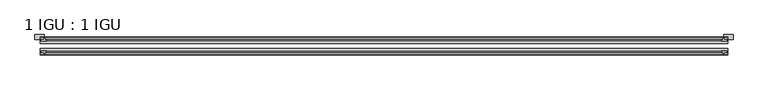
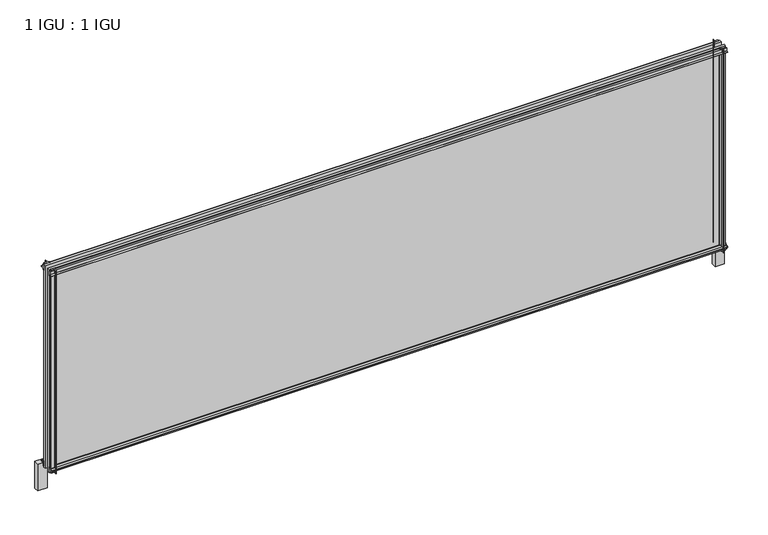
"""IFC4 building model written with IfcOpenShell, lengths in millimetres: plate geometry, 1 IGU : 1 IGU."""

from ifc_helpers import new_model, si_unit, point, frame, frame_2d, origin, place, context, project, spatial, polyline, circle_curve, trimmed, segment, composite_curve, outline, extrude, source, transform, mapped, element, save


def plate_1_igu_1_igu_2125d88e(model_context):
    return source(origin(), model_context, "Body", "SweptSolid", [
        extrude(outline(composite_curve([segment(polyline([(-42.3267187, -8.2068385), (-47.0892187, -8.2068385), (-47.0892187, 0.0), (-53.563779, 0.0)]), True, "CONTINUOUS"), segment(trimmed(circle_curve(frame_2d((-53.0328134, 0.3482823)), 0.635), [point((-53.563779, 0.0))], [point((-53.0575397, 0.9828007))], False, "CARTESIAN"), True, "CONTINUOUS"), segment(trimmed(circle_curve(frame_2d((-54.2310045, 31.0958559)), 30.1359106), [point((-53.0575397, 0.9828007))], [point((-47.0834032, 1.8198434))], True, "CARTESIAN"), True, "CONTINUOUS"), segment(trimmed(circle_curve(frame_2d((-48.2159797, 6.4587878)), 4.7752), [point((-47.0834032, 1.8198434))], [point((-43.578416, 5.3205707))], True, "CARTESIAN"), True, "CONTINUOUS"), segment(trimmed(circle_curve(frame_2d((-42.9617187, 5.169212)), 0.635), [point((-43.578416, 5.3205707))], [point((-42.3267187, 5.169212))], False, "CARTESIAN"), True, "CONTINUOUS"), segment(polyline([(-42.3267187, 5.169212), (-42.3267187, -8.2068385)]), True, "CONTINUOUS")], self_intersect=False)), frame((-900.7475, 0.0, 0.0), z_axis=(1.0, 0.0, 0.0), x_axis=(0.0, 1.0, 0.0)), (0.0, 0.0, 1.0), 1801.495),
        extrude(outline(composite_curve([segment(polyline([(-16.9267187, -8.2068385), (-16.9267187, 5.169212)]), True, "CONTINUOUS"), segment(trimmed(circle_curve(frame_2d((-16.2917187, 5.169212)), 0.635), [point((-16.9267187, 5.169212))], [point((-15.6750215, 5.3205707))], False, "CARTESIAN"), True, "CONTINUOUS"), segment(trimmed(circle_curve(frame_2d((-11.0374578, 6.4587878)), 4.7752), [point((-15.6750215, 5.3205707))], [point((-12.1700343, 1.8198434))], True, "CARTESIAN"), True, "CONTINUOUS"), segment(trimmed(circle_curve(frame_2d((-5.022433, 31.0958559)), 30.1359106), [point((-12.1700343, 1.8198434))], [point((-6.1958978, 0.9828007))], True, "CARTESIAN"), True, "CONTINUOUS"), segment(trimmed(circle_curve(frame_2d((-6.2206241, 0.3482823)), 0.635), [point((-6.1958978, 0.9828007))], [point((-5.6896585, 0.0))], False, "CARTESIAN"), True, "CONTINUOUS"), segment(polyline([(-5.6896585, 0.0), (-12.1642187, 0.0), (-12.1642187, -8.2068385), (-16.9267187, -8.2068385)]), True, "CONTINUOUS")], self_intersect=False)), frame((-900.7475, 0.0, 0.0), z_axis=(1.0, 0.0, 0.0), x_axis=(0.0, 1.0, 0.0)), (0.0, 0.0, 1.0), 1801.495),
        extrude(outline(composite_curve([segment(polyline([(-47.0892187, 549.275), (-47.0892187, 557.4818385), (-42.3267188, 557.4818385), (-42.3267188, 544.105788)]), True, "CONTINUOUS"), segment(trimmed(circle_curve(frame_2d((-42.9617187, 544.105788)), 0.635), [point((-42.3267188, 544.105788))], [point((-43.578416, 543.9544293))], False, "CARTESIAN"), True, "CONTINUOUS"), segment(trimmed(circle_curve(frame_2d((-48.2159797, 542.8162122)), 4.7752), [point((-43.578416, 543.9544293))], [point((-47.0834032, 547.4551566))], True, "CARTESIAN"), True, "CONTINUOUS"), segment(trimmed(circle_curve(frame_2d((-54.2310045, 518.1791441)), 30.1359106), [point((-47.0834032, 547.4551566))], [point((-53.0575397, 548.2921993))], True, "CARTESIAN"), True, "CONTINUOUS"), segment(trimmed(circle_curve(frame_2d((-53.0328134, 548.9267177)), 0.635), [point((-53.0575397, 548.2921993))], [point((-53.563779, 549.275))], False, "CARTESIAN"), True, "CONTINUOUS"), segment(polyline([(-53.563779, 549.275), (-47.0892187, 549.275)]), True, "CONTINUOUS")], self_intersect=False)), frame((-900.7475, 0.0, 0.0), z_axis=(1.0, 0.0, 0.0), x_axis=(0.0, 1.0, 0.0)), (0.0, 0.0, 1.0), 1801.495),
        extrude(outline(composite_curve([segment(polyline([(-12.1642187, 549.275), (-5.6896585, 549.275)]), True, "CONTINUOUS"), segment(trimmed(circle_curve(frame_2d((-6.2206241, 548.9267177)), 0.635), [point((-5.6896585, 549.275))], [point((-6.1958978, 548.2921993))], False, "CARTESIAN"), True, "CONTINUOUS"), segment(trimmed(circle_curve(frame_2d((-5.022433, 518.1791441)), 30.1359106), [point((-6.1958978, 548.2921993))], [point((-12.1700343, 547.4551566))], True, "CARTESIAN"), True, "CONTINUOUS"), segment(trimmed(circle_curve(frame_2d((-11.0374578, 542.8162122)), 4.7752), [point((-12.1700343, 547.4551566))], [point((-15.6750215, 543.9544293))], True, "CARTESIAN"), True, "CONTINUOUS"), segment(trimmed(circle_curve(frame_2d((-16.2917187, 544.105788)), 0.635), [point((-15.6750215, 543.9544293))], [point((-16.9267187, 544.105788))], False, "CARTESIAN"), True, "CONTINUOUS"), segment(polyline([(-16.9267187, 544.105788), (-16.9267187, 557.4818385), (-12.1642187, 557.4818385), (-12.1642187, 549.275)]), True, "CONTINUOUS")], self_intersect=False)), frame((-900.7475, 0.0, 0.0), z_axis=(1.0, 0.0, 0.0), x_axis=(0.0, 1.0, 0.0)), (0.0, 0.0, 1.0), 1801.495),
        extrude(outline(composite_curve([segment(polyline([(889.635, -5.6896585), (889.635, -12.1642188), (897.8418385, -12.1642188), (897.8418385, -16.9267187), (884.465788, -16.9267187)]), True, "CONTINUOUS"), segment(trimmed(circle_curve(frame_2d((884.465788, -16.2917188)), 0.635), [point((884.465788, -16.9267187))], [point((884.3144293, -15.6750215))], False, "CARTESIAN"), True, "CONTINUOUS"), segment(trimmed(circle_curve(frame_2d((883.1762122, -11.0374578)), 4.7752), [point((884.3144293, -15.6750215))], [point((887.8151566, -12.1700343))], True, "CARTESIAN"), True, "CONTINUOUS"), segment(trimmed(circle_curve(frame_2d((858.5391441, -5.022433)), 30.1359106), [point((887.8151566, -12.1700343))], [point((888.6521993, -6.1958978))], True, "CARTESIAN"), True, "CONTINUOUS"), segment(trimmed(circle_curve(frame_2d((889.2867177, -6.2206241)), 0.635), [point((888.6521993, -6.1958978))], [point((889.635, -5.6896585))], False, "CARTESIAN"), True, "CONTINUOUS")], self_intersect=False)), frame((0.0, 0.0, -11.1125), z_axis=(0.0, 0.0, 1.0), x_axis=(1.0, 0.0, 0.0)), (0.0, 0.0, 1.0), 571.5),
        extrude(outline(composite_curve([segment(trimmed(circle_curve(frame_2d((889.2867177, -53.0328134)), 0.635), [point((889.635, -53.563779))], [point((888.6521993, -53.0575397))], False, "CARTESIAN"), True, "CONTINUOUS"), segment(trimmed(circle_curve(frame_2d((858.5391441, -54.2310045)), 30.1359106), [point((888.6521993, -53.0575397))], [point((887.8151566, -47.0834032))], True, "CARTESIAN"), True, "CONTINUOUS"), segment(trimmed(circle_curve(frame_2d((883.1762122, -48.2159797)), 4.7752), [point((887.8151566, -47.0834032))], [point((884.3144293, -43.578416))], True, "CARTESIAN"), True, "CONTINUOUS"), segment(trimmed(circle_curve(frame_2d((884.465788, -42.9617187)), 0.635), [point((884.3144293, -43.578416))], [point((884.465788, -42.3267187))], False, "CARTESIAN"), True, "CONTINUOUS"), segment(polyline([(884.465788, -42.3267187), (897.8418385, -42.3267188), (897.8418385, -47.0892188), (889.635, -47.0892188), (889.635, -53.563779)]), True, "CONTINUOUS")], self_intersect=False)), frame((0.0, 0.0, -11.1125), z_axis=(0.0, 0.0, 1.0), x_axis=(1.0, 0.0, 0.0)), (0.0, 0.0, 1.0), 571.5),
        extrude(outline(composite_curve([segment(trimmed(circle_curve(frame_2d((-889.2867177, -6.2206241)), 0.635), [point((-889.635, -5.6896585))], [point((-888.6521993, -6.1958978))], False, "CARTESIAN"), True, "CONTINUOUS"), segment(trimmed(circle_curve(frame_2d((-858.5391441, -5.022433)), 30.1359106), [point((-888.6521993, -6.1958978))], [point((-887.8151566, -12.1700343))], True, "CARTESIAN"), True, "CONTINUOUS"), segment(trimmed(circle_curve(frame_2d((-883.1762122, -11.0374578)), 4.7752), [point((-887.8151566, -12.1700343))], [point((-884.3144293, -15.6750215))], True, "CARTESIAN"), True, "CONTINUOUS"), segment(trimmed(circle_curve(frame_2d((-884.465788, -16.2917187)), 0.635), [point((-884.3144293, -15.6750215))], [point((-884.465788, -16.9267187))], False, "CARTESIAN"), True, "CONTINUOUS"), segment(polyline([(-884.465788, -16.9267187), (-897.8418385, -16.9267187), (-897.8418385, -12.1642187), (-889.635, -12.1642187), (-889.635, -5.6896585)]), True, "CONTINUOUS")], self_intersect=False)), frame((0.0, 0.0, -11.1125), z_axis=(0.0, 0.0, 1.0), x_axis=(1.0, 0.0, 0.0)), (0.0, 0.0, 1.0), 571.5),
        extrude(outline(composite_curve([segment(polyline([(-889.635, -53.563779), (-889.635, -47.0892187), (-897.8418385, -47.0892187), (-897.8418385, -42.3267187), (-884.465788, -42.3267187)]), True, "CONTINUOUS"), segment(trimmed(circle_curve(frame_2d((-884.465788, -42.9617187)), 0.635), [point((-884.465788, -42.3267187))], [point((-884.3144293, -43.578416))], False, "CARTESIAN"), True, "CONTINUOUS"), segment(trimmed(circle_curve(frame_2d((-883.1762122, -48.2159797)), 4.7752), [point((-884.3144293, -43.578416))], [point((-887.8151566, -47.0834032))], True, "CARTESIAN"), True, "CONTINUOUS"), segment(trimmed(circle_curve(frame_2d((-858.5391441, -54.2310045)), 30.1359106), [point((-887.8151566, -47.0834032))], [point((-888.6521993, -53.0575397))], True, "CARTESIAN"), True, "CONTINUOUS"), segment(trimmed(circle_curve(frame_2d((-889.2867177, -53.0328134)), 0.635), [point((-888.6521993, -53.0575397))], [point((-889.635, -53.563779))], False, "CARTESIAN"), True, "CONTINUOUS")], self_intersect=False)), frame((0.0, 0.0, -11.1125), z_axis=(0.0, 0.0, 1.0), x_axis=(1.0, 0.0, 0.0)), (0.0, 0.0, 1.0), 571.5),
        extrude(outline(polyline([(900.7475, -16.9267187), (900.7475, -23.2259187), (-900.7475, -23.2259187), (-900.7475, -16.9267187), (900.7475, -16.9267187)])), frame((0.0, 0.0, -11.1125), z_axis=(0.0, 0.0, 1.0), x_axis=(1.0, 0.0, 0.0)), (0.0, 0.0, 1.0), 571.5),
        extrude(outline(polyline([(900.7475, -36.0275187), (900.7475, -42.3267187), (-900.7475, -42.3267187), (-900.7475, -36.0275187), (900.7475, -36.0275187)])), frame((0.0, 0.0, -11.1125), z_axis=(0.0, 0.0, 1.0), x_axis=(1.0, 0.0, 0.0)), (0.0, 0.0, 1.0), 571.5),
        extrude(outline(polyline([(-914.4396875, 0.0), (-889.635, 0.0), (-889.635, -13.1960937), (-914.4396875, -13.1960937), (-914.4396875, 0.0)])), frame((0.0, 0.0, -75.6046875), z_axis=(0.0, 0.0, 1.0), x_axis=(1.0, 0.0, 0.0)), (0.0, 0.0, 1.0), 75.6046875),
        extrude(outline(polyline([(889.635, 0.0), (914.4396875, 0.0), (914.4396875, -13.1960938), (889.635, -13.1960938), (889.635, 0.0)])), frame((0.0, 0.0, -75.6046875), z_axis=(0.0, 0.0, 1.0), x_axis=(1.0, 0.0, 0.0)), (0.0, 0.0, 1.0), 75.6046875),
    ])


if __name__ == "__main__":
    model = new_model("IFC4")
    model_context = context("Model", 3, world=origin())
    ifc_project = project(units=[si_unit("LENGTHUNIT", "METRE", prefix="MILLI")], contexts=[model_context])
    site = spatial("IfcSite", under=ifc_project)
    building = spatial("IfcBuilding", under=site)
    placement = place(None, origin())
    plate_1_igu_1_igu_shape = plate_1_igu_1_igu_2125d88e(model_context)
    element("IfcPlate", 1, ObjectType="1 IGU : 1 IGU", at=placement, inside=building, context=model_context, shape_type="MappedRepresentation", body=[
        mapped(plate_1_igu_1_igu_shape, transform((0.0, 0.0, 0.0), x_axis=(1.0, 0.0, 0.0), y_axis=(0.0, 1.0, 0.0), z_axis=(0.0, 0.0, 1.0))),
    ])
    save(model, "model.ifc")
